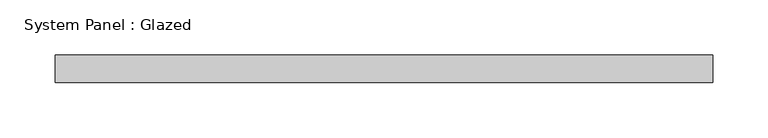
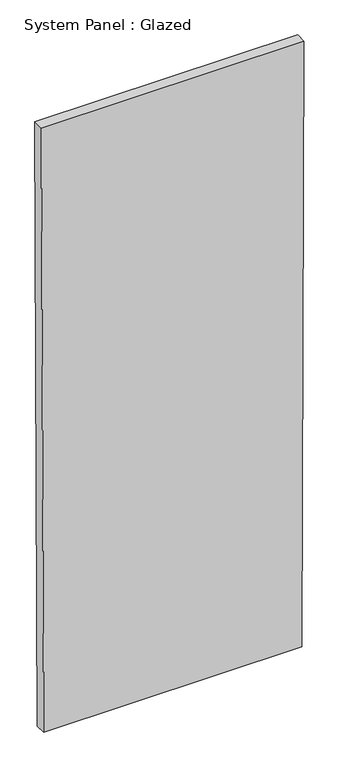
"""IFC4 building model written with IfcOpenShell, lengths in millimetres: plate geometry, System Panel : Glazed."""

import ifcopenshell
import ifcopenshell.guid

model = None  # the IFC model being written
_history = None  # IfcOwnerHistory: only IFC2X3 demands one
_inside = {}  # id of a spatial element -> (the spatial element, [elements in it])
_under = {}  # id of a project, library or spatial element -> (it, [spatial elements below it])
_declared = {}  # id of a project -> (the project, [libraries it declares])
_typed = {}  # id of a type object -> (the type object, [elements of that type])
_made_of = {}  # id of a material, layer set ... -> (it, [elements and type objects made of it])


def new_model(schema):
    """Start an empty IFC model of exactly this schema.

    Asked for "IFC4X3", IfcOpenShell would pick the latest addendum, in which some entities
    have other attributes; the version numbers below select the first issue.
    IFC2X3 requires an IfcOwnerHistory on every rooted entity: one is made here for all.
    """
    global model, _history
    if schema == "IFC4X3":
        model = ifcopenshell.file(schema_version=(4, 3, 0, 0))
    else:
        model = ifcopenshell.file(schema=schema)
    _inside.clear()
    _under.clear()
    _declared.clear()
    _typed.clear()
    _made_of.clear()
    _history = None
    if model.schema == "IFC2X3":
        org = make("IfcOrganization", Name="unknown")
        user = make(
            "IfcPersonAndOrganization",
            ThePerson=make("IfcPerson", FamilyName="unknown"),
            TheOrganization=org,
        )
        app = make(
            "IfcApplication",
            ApplicationDeveloper=org,
            Version="unknown",
            ApplicationFullName="unknown",
            ApplicationIdentifier="unknown",
        )
        _history = make(
            "IfcOwnerHistory",
            OwningUser=user,
            OwningApplication=app,
            ChangeAction="ADDED",
            CreationDate=0,
        )
    return model


def make(cls, **values):
    """One entity of the class cls with the attributes given. An attribute that is None is left unset."""
    return model.create_entity(
        cls, **{name: value for name, value in values.items() if value is not None}
    )


def rooted(cls, **values):
    """An entity with a GlobalId (a new one), such as an element, a storey or a relation."""
    return make(cls, GlobalId=ifcopenshell.guid.new(), OwnerHistory=_history, **values)


def si_unit(unit_type, name, prefix=None):
    """IfcSIUnit, for example si_unit("LENGTHUNIT", "METRE", prefix="MILLI")."""
    return make("IfcSIUnit", UnitType=unit_type, Prefix=prefix, Name=name)


def assignment(units):
    """IfcUnitAssignment: the units of a project."""
    return None if units is None else make("IfcUnitAssignment", Units=units)


def point(xyz):
    """IfcCartesianPoint."""
    return None if xyz is None else make("IfcCartesianPoint", Coordinates=xyz)


def direction(xyz):
    """IfcDirection."""
    return None if xyz is None else make("IfcDirection", DirectionRatios=xyz)


def frame(location, z_axis=None, x_axis=None):
    """IfcAxis2Placement3D, a coordinate frame: its origin and axes. An axis left out is left unset."""
    return make(
        "IfcAxis2Placement3D",
        Location=point(location),
        Axis=direction(z_axis),
        RefDirection=direction(x_axis),
    )


def origin():
    """The frame at (0, 0, 0) with its axes left unset."""
    return frame((0.0, 0.0, 0.0))


def place(relative_to, where):
    """IfcLocalPlacement: puts the frame where relative to a parent placement (None: the world)."""
    return make(
        "IfcLocalPlacement", PlacementRelTo=relative_to, RelativePlacement=where
    )


def context(
    kind, dimensions, precision=None, world=None, true_north=None, identifier=None
):
    """IfcGeometricRepresentationContext, for example the 3D "Model" context."""
    return make(
        "IfcGeometricRepresentationContext",
        ContextIdentifier=identifier,
        ContextType=kind,
        CoordinateSpaceDimension=dimensions,
        Precision=precision,
        WorldCoordinateSystem=world,
        TrueNorth=true_north,
    )


def project(units=None, contexts=None):
    """IfcProject with its units and contexts."""
    return rooted(
        "IfcProject",
        Name="project",
        RepresentationContexts=contexts,
        UnitsInContext=assignment(units),
    )


def spatial(cls, under=None, at=None, **own):
    """A site, building, storey or space (cls), placed at a placement, below another one or the project."""
    s = rooted(cls, ObjectPlacement=at, **own)
    if under is not None:
        _under.setdefault(under.id(), (under, []))[1].append(s)
    return s


def polyline(points):
    """IfcPolyline through the points."""
    return make("IfcPolyline", Points=[point(p) for p in points])


def outline(outer, holes=None, kind="AREA"):
    """IfcArbitraryClosedProfileDef: a profile drawn as a closed curve; with holes, ...WithVoids."""
    if holes is None:
        return make("IfcArbitraryClosedProfileDef", ProfileType=kind, OuterCurve=outer)
    return make(
        "IfcArbitraryProfileDefWithVoids",
        ProfileType=kind,
        OuterCurve=outer,
        InnerCurves=holes,
    )


def extrude(swept, where, along, depth):
    """IfcExtrudedAreaSolid: the profile swept, set in the frame where, extruded along a direction by depth."""
    return make(
        "IfcExtrudedAreaSolid",
        SweptArea=swept,
        Position=where,
        ExtrudedDirection=direction(along),
        Depth=depth,
    )


def shape(context_of_items, identifier, shape_type, items):
    """IfcShapeRepresentation: the items that make up one representation, for example the "Body"."""
    return make(
        "IfcShapeRepresentation",
        ContextOfItems=context_of_items,
        RepresentationIdentifier=identifier,
        RepresentationType=shape_type,
        Items=items,
    )


def source(mapping_origin, context_of_items, identifier, shape_type, items):
    """IfcRepresentationMap: a shape defined once, which mapped items show again and again."""
    return make(
        "IfcRepresentationMap",
        MappingOrigin=mapping_origin,
        MappedRepresentation=shape(context_of_items, identifier, shape_type, items),
    )


def transform(
    local_origin,
    x_axis=None,
    y_axis=None,
    z_axis=None,
    scale=None,
    scale2=None,
    scale3=None,
    uniform=True,
):
    """IfcCartesianTransformationOperator3D, or its non-uniform kind. x_axis, y_axis, z_axis: its Axis1, 2, 3."""
    if uniform:
        return make(
            "IfcCartesianTransformationOperator3D",
            Axis1=direction(x_axis),
            Axis2=direction(y_axis),
            LocalOrigin=point(local_origin),
            Scale=scale,
            Axis3=direction(z_axis),
        )
    return make(
        "IfcCartesianTransformationOperator3DnonUniform",
        Axis1=direction(x_axis),
        Axis2=direction(y_axis),
        LocalOrigin=point(local_origin),
        Scale=scale,
        Axis3=direction(z_axis),
        Scale2=scale2,
        Scale3=scale3,
    )


def mapped(mapping_source, mapping_target):
    """IfcMappedItem: shows the shape of a source again, moved by a transform."""
    return make(
        "IfcMappedItem", MappingSource=mapping_source, MappingTarget=mapping_target
    )


def made_of(thing, what):
    """Note that an element or type object is made of a material, layer set ...; save() writes the relation."""
    if what is not None:
        _made_of.setdefault(what.id(), (what, []))[1].append(thing)
    return thing


def element(
    cls,
    number,
    at=None,
    inside=None,
    cuts=None,
    type_object=None,
    material=None,
    context=None,
    identifier="Body",
    shape_type=None,
    held_by="IfcProductDefinitionShape",
    body=None,
    shapes=None,
    **own,
):
    """One element of the class cls, such as IfcWall. Its Tag is "e" and its number.

    at: its placement. inside: the storey or other place that contains it. cuts: it is an
    opening in that element (IfcRelVoidsElement). A single representation is given by context,
    identifier, shape_type and body (its items); several are given by shapes. held_by: the class
    of the entity that holds the representations. save() writes the other relations.
    """
    e = rooted(cls, Tag="e%d" % number, ObjectPlacement=at, **own)
    if body is not None:
        shapes = [shape(context, identifier, shape_type, body)]
    if shapes is not None:
        e.Representation = make(held_by, Representations=shapes)
    if inside is not None:
        _inside.setdefault(inside.id(), (inside, []))[1].append(e)
    if cuts is not None:
        rooted(
            "IfcRelVoidsElement", RelatingBuildingElement=cuts, RelatedOpeningElement=e
        )
    if type_object is not None:
        _typed.setdefault(type_object.id(), (type_object, []))[1].append(e)
    return made_of(e, material)


def aggregate(whole, parts):
    """IfcRelAggregates: a whole, such as a stair, and the parts it consists of."""
    return rooted("IfcRelAggregates", RelatingObject=whole, RelatedObjects=parts)


def save(model, path):
    """Write the relations noted so far, then the file.

    IfcRelAggregates (storeys below a building ...), IfcRelContainedInSpatialStructure (elements
    in a storey), IfcRelDefinesByType, IfcRelAssociatesMaterial and IfcRelDeclares: one each for
    every whole, place, type object, material and project.
    """
    for whole, parts in _under.values():
        aggregate(whole, parts)
    for where, things in _inside.values():
        rooted(
            "IfcRelContainedInSpatialStructure",
            RelatedElements=things,
            RelatingStructure=where,
        )
    for kind, things in _typed.values():
        rooted("IfcRelDefinesByType", RelatedObjects=things, RelatingType=kind)
    for what, things in _made_of.values():
        rooted("IfcRelAssociatesMaterial", RelatedObjects=things, RelatingMaterial=what)
    for by, libraries in _declared.values():
        rooted("IfcRelDeclares", RelatingContext=by, RelatedDefinitions=libraries)
    model.write(path)


def system_panel_glazed_63a46760(model_context):
    return source(origin(), model_context, "Body", "SweptSolid", [
        extrude(outline(polyline([(0.0, -292.6896174), (0.0, 292.6896553), (1449.9901831, 297.7996008), (1449.9901704, -297.7996008), (0.0, -292.6896174)])), frame((0.0, -49.5, 0.0), z_axis=(0.0, 1.0, 0.0), x_axis=(0.0, 0.0, 1.0)), (0.0, 0.0, 1.0), 25.0),
    ])


if __name__ == "__main__":
    model = new_model("IFC4")
    model_context = context("Model", 3, world=origin())
    ifc_project = project(units=[si_unit("LENGTHUNIT", "METRE", prefix="MILLI")], contexts=[model_context])
    site = spatial("IfcSite", under=ifc_project)
    building = spatial("IfcBuilding", under=site)
    placement = place(None, origin())
    system_panel_glazed_shape = system_panel_glazed_63a46760(model_context)
    element("IfcPlate", 1, ObjectType="System Panel : Glazed", at=placement, inside=building, context=model_context, shape_type="MappedRepresentation", body=[
        mapped(system_panel_glazed_shape, transform((0.0, 0.0, 0.0), x_axis=(1.0, 0.0, 0.0), y_axis=(0.0, 1.0, 0.0), z_axis=(0.0, 0.0, 1.0))),
    ])
    save(model, "model.ifc")
